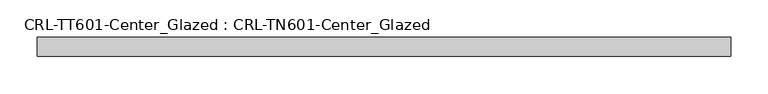
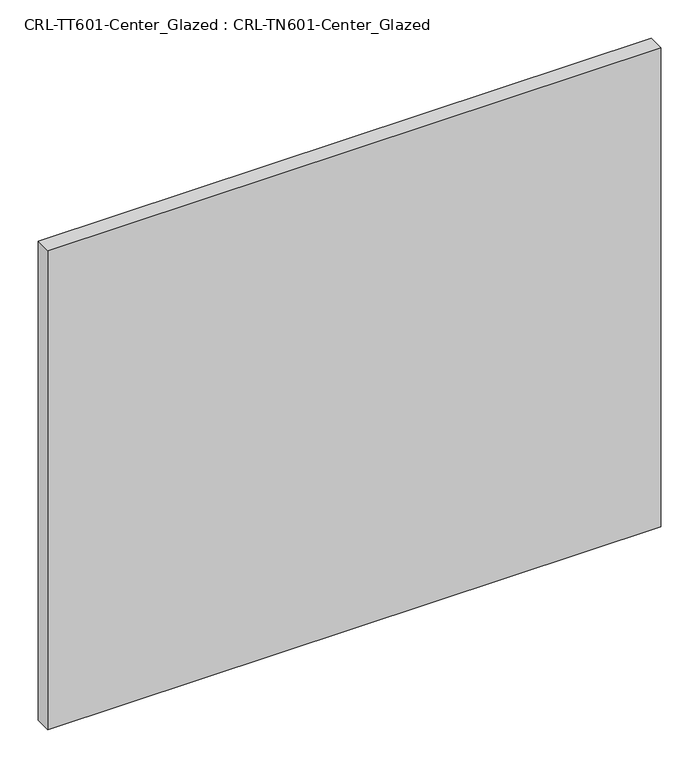
"""IFC4 building model written with IfcOpenShell, lengths in millimetres: plate geometry, CRL-TT601-Center_Glazed : CRL-TN601-Center_Glazed."""

from ifc_helpers import new_model, si_unit, origin, origin_with_axes, place, context, project, spatial, polyline, outline, extrude, source, transform, mapped, element, save


def crl_tt601_center_glazed_crl_tn601_center_glazed_c8259b42(model_context):
    return source(origin(), model_context, "Body", "SweptSolid", [
        extrude(outline(polyline([(-463.5537716, -12.7254), (-463.5537716, 12.6746), (463.5537716, 12.6746), (463.5537716, -12.7254), (-463.5537716, -12.7254)])), origin_with_axes(), (0.0, 0.0, 1.0), 766.1482726),
    ])


if __name__ == "__main__":
    model = new_model("IFC4")
    model_context = context("Model", 3, world=origin())
    ifc_project = project(units=[si_unit("LENGTHUNIT", "METRE", prefix="MILLI")], contexts=[model_context])
    site = spatial("IfcSite", under=ifc_project)
    building = spatial("IfcBuilding", under=site)
    placement = place(None, origin())
    crl_tt601_center_glazed_crl_tn601_center_glazed_shape = crl_tt601_center_glazed_crl_tn601_center_glazed_c8259b42(model_context)
    element("IfcPlate", 1, ObjectType="CRL-TT601-Center_Glazed : CRL-TN601-Center_Glazed", at=placement, inside=building, context=model_context, shape_type="MappedRepresentation", body=[
        mapped(crl_tt601_center_glazed_crl_tn601_center_glazed_shape, transform((0.0, 0.0, 0.0), x_axis=(1.0, 0.0, 0.0), y_axis=(0.0, 1.0, 0.0), z_axis=(0.0, 0.0, 1.0))),
    ])
    save(model, "model.ifc")
